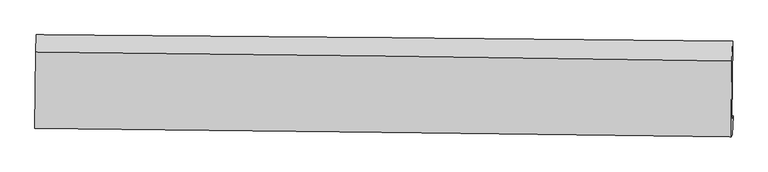
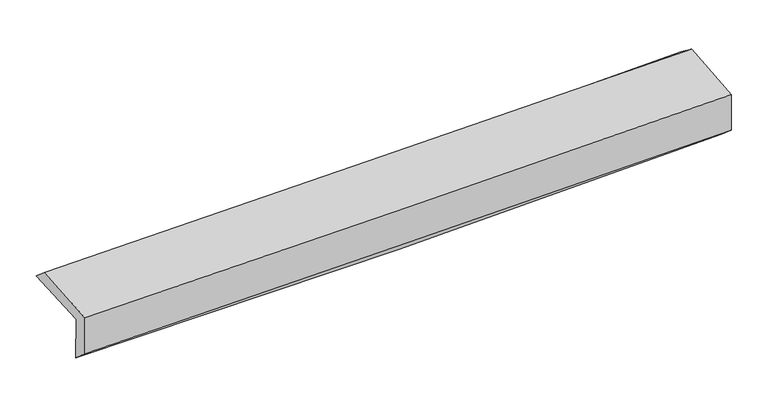
"""IFC4 building model written with IfcOpenShell, lengths in millimetres: proxy geometry."""

from ifc_helpers import new_model, si_unit, frame, origin, place, context, project, spatial, source, transform, mapped, element, save
from ifc_brep_helpers import plane_surface, spline_curve, spline_surface, advanced_brep


def generic_models_71b27c45(model_context):
    return source(origin(), model_context, "Body", "AdvancedBrep", [
        advanced_brep(
        [(-3022.8356225, -1774.3497814, 1960.7015081), (-3015.6202726, -1107.9031122, 1983.5003981), (3007.7210942, -1161.8522311, 2133.8981052), (3000.6849571, -1842.4390301, 2110.6246329), (-3011.3929687, -1741.2164199, 1553.1380141), (3011.978215, -1809.723789, 1708.2048815), (-3017.0326103, -1900.0274338, 1692.2565431), (3006.2424881, -1974.1329462, 1851.2526938), (-3027.3777507, -1920.850386, 2064.6870598), (2996.0332826, -1994.6822856, 2218.7894867), (-3020.9637713, -1259.0436823, 2115.0237788), (3002.0775274, -1337.8582251, 2268.7382257)],
        [
            (0, 1),
            (1, 2, spline_curve(3, [(-3015.6202726, -1107.9031122, 1983.5003981), (-2011.098693825, -1114.858854891, 1985.747619898), (-1006.886519523, -1122.832554889, 1999.404672167), (1000.893920729, -1140.815645492, 2049.537811885), (2004.462201764, -1150.824984835, 2086.013328537), (3007.7210942, -1161.8522311, 2133.8981052)], [4, 2, 4], [0.0, 9.885296414886984, 19.77034566757925])),
            (2, 3),
            (3, 0, spline_curve(3, [(3000.6849571, -1842.4390301, 2110.6246329), (1997.381945713, -1830.292924436, 2062.776583808), (993.776670794, -1818.545833382, 2026.358978934), (-1014.063507535, -1795.849397475, 1976.384032296), (-2018.298425615, -1784.90007192, 1962.827262341), (-3022.8356225, -1774.3497814, 1960.7015081)], [4, 2, 4], [0.0, 9.885049252692266, 19.77034566757925])),
            (4, 0),
            (3, 5),
            (5, 4, spline_curve(3, [(3011.978215, -1809.723789, 1708.2048815), (2008.745343126, -1797.376938328, 1657.887437348), (1005.187587891, -1785.494631114, 1619.8064851), (-1002.602790209, -1762.658818, 1568.116917094), (-2006.835429752, -1751.705335715, 1554.508913785), (-3011.3929687, -1741.2164199, 1553.1380141)], [4, 2, 4], [0.0, 9.885452166449415, 19.771151505167857])),
            (6, 4),
            (5, 7),
            (7, 6, spline_curve(3, [(3006.2424881, -1974.1329462, 1851.2526938), (2002.442684891, -1960.6804914, 1821.821578979), (998.609467313, -1947.778875339, 1793.856489631), (-1009.148897431, -1923.077010047, 1740.857699196), (-2013.074045776, -1911.276789067, 1715.824071922), (-3017.0326103, -1900.0274338, 1692.2565431)], [4, 2, 4], [0.0, 9.884972505949353, 19.770192172174475])),
            (8, 6),
            (7, 9),
            (9, 8, spline_curve(3, [(2996.0332826, -1994.6822856, 2218.7894867), (1992.256730402, -1981.183030674, 2188.521324336), (988.423810495, -1968.280814524, 2160.545506038), (-1019.379864179, -1943.670151402, 2109.177915582), (-2023.35062244, -1931.961734684, 2085.786258262), (-3027.3777507, -1920.850386, 2064.6870598)], [4, 2, 4], [0.0, 9.884788693604794, 19.76982454288938])),
            (10, 8),
            (9, 11),
            (11, 10, spline_curve(3, [(3002.0775274, -1337.8582251, 2268.7382257), (1998.377893531, -1321.86640321, 2238.661124201), (994.614243855, -1307.302678185, 2210.813168233), (-1013.066185798, -1281.031092377, 2159.574908004), (-2016.98296902, -1269.323303302, 2136.184714687), (-3020.9637713, -1259.0436823, 2115.0237788)], [4, 2, 4], [0.0, 9.884550329134013, 19.76934780798784])),
            (1, 10),
            (11, 2),
        ],
        [
            spline_surface(3, 3, [[(-3022.8356225, -1774.3497814, 1960.7015081), (-2018.298425684, -1784.900072015, 1962.827262363), (-1014.063507421, -1795.849397336, 1976.384032331), (993.776670681, -1818.545833521, 2026.358978899), (1997.381945582, -1830.292924437, 2062.776583821), (3000.6849571, -1842.4390301, 2110.6246329)], [(-3020.430505863, -1552.200891652, 1968.301138121), (-2015.898515096, -1561.552999595, 1970.467381519), (-1011.671178083, -1571.510449866, 1984.05757897), (996.149087364, -1592.635770839, 2034.085256538), (1999.742030979, -1603.803611275, 2070.522165332), (3003.030336127, -1615.576763764, 2118.382456983)], [(-3018.025389237, -1330.052001948, 1975.900768079), (-2013.498604517, -1338.20592722, 1978.107500613), (-1009.278848804, -1347.171502387, 1991.731125603), (998.521503988, -1366.725708146, 2041.811534172), (2002.102116395, -1377.314298122, 2078.267746894), (3005.375715173, -1388.714497436, 2126.140281117)], [(-3015.6202726, -1107.9031122, 1983.5003981), (-2011.098693928, -1114.8588548, 1985.747619769), (-1006.886519465, -1122.832554917, 1999.404672241), (1000.893920671, -1140.815645464, 2049.537811811), (2004.462201792, -1150.824984959, 2086.013328405), (3007.7210942, -1161.8522311, 2133.8981052)]], [4, 4], [4, 2, 4], [0.0, 2.2172118562602297], [0.0, 9.885296414886984, 19.77034566757925]),
            spline_surface(3, 3, [[(-3011.3929687, -1741.2164199, 1553.1380141), (-2006.8354296, -1751.705335603, 1554.508913914), (-1002.602790318, -1762.658818094, 1568.116917224), (1005.187588, -1785.49463102, 1619.80648497), (2008.745343288, -1797.376938239, 1657.887437411), (3011.978215, -1809.723789, 1708.2048815)], [(-3015.20718664, -1752.260873745, 1688.992512104), (-2010.656428301, -1762.770247752, 1690.615030068), (-1006.423029366, -1773.722344521, 1704.205955568), (1001.38394888, -1796.511698534, 1755.323982921), (2004.957544066, -1808.348933653, 1792.850486215), (3008.213795713, -1820.628869382, 1842.344798634)], [(-3019.02140456, -1763.305327555, 1824.847010096), (-2014.477426983, -1773.835159866, 1826.721146209), (-1010.243268373, -1784.785870908, 1840.294993987), (997.580309801, -1807.528766007, 1890.841480948), (2001.169744805, -1819.320929022, 1927.813535017), (3004.449376387, -1831.533949718, 1976.484715766)], [(-3022.8356225, -1774.3497814, 1960.7015081), (-2018.298425684, -1784.900072015, 1962.827262363), (-1014.063507421, -1795.849397336, 1976.384032331), (993.776670681, -1818.545833521, 2026.358978899), (1997.381945582, -1830.292924437, 2062.776583821), (3000.6849571, -1842.4390301, 2110.6246329)]], [4, 4], [4, 2, 4], [0.0, 1.3415808765569137], [0.0, 9.885699338718442, 19.771151505167857]),
            spline_surface(3, 3, [[(-3017.0326103, -1900.0274338, 1692.2565431), (-2013.074045749, -1911.276789072, 1715.824071835), (-1009.148897306, -1923.07701018, 1740.857699308), (998.609467188, -1947.778875205, 1793.856489519), (2002.442684815, -1960.680491539, 1821.82157895), (3006.2424881, -1974.1329462, 1851.2526938)], [(-3015.15272976, -1847.090429182, 1645.883700101), (-2010.994507027, -1858.086304598, 1662.05235253), (-1006.966861639, -1869.604279492, 1683.277438613), (1000.802174129, -1893.684127151, 1735.839821336), (2004.543570946, -1906.24597377, 1767.176865132), (3008.15439704, -1919.329893798, 1803.570089729)], [(-3013.27284924, -1794.153424518, 1599.510857099), (-2008.914968323, -1804.895820078, 1608.28063322), (-1004.784825984, -1816.131548783, 1625.697177919), (1002.994881059, -1839.589379075, 1677.823153153), (2006.644457157, -1851.811456008, 1712.532151228), (3010.06630606, -1864.526841402, 1755.887485571)], [(-3011.3929687, -1741.2164199, 1553.1380141), (-2006.8354296, -1751.705335603, 1554.508913914), (-1002.602790318, -1762.658818094, 1568.116917224), (1005.187588, -1785.49463102, 1619.80648497), (2008.745343288, -1797.376938239, 1657.887437411), (3011.978215, -1809.723789, 1708.2048815)]], [4, 4], [4, 2, 4], [0.0, 0.7773806382050568], [0.0, 9.885219666225122, 19.770192172174475]),
            spline_surface(3, 3, [[(-3027.3777507, -1920.850386, 2064.6870598), (-2023.350622426, -1931.961734528, 2085.786258277), (-1019.379864311, -1943.670151437, 2109.177915673), (988.423810627, -1968.280814488, 2160.545505946), (1992.256730298, -1981.18303079, 2188.521324175), (2996.0332826, -1994.6822856, 2218.7894867)], [(-3023.929370585, -1913.909401922, 1940.54355421), (-2019.925096885, -1925.066752698, 1962.465529439), (-1015.969541976, -1936.805770991, 1986.40451024), (991.819029481, -1961.4468347, 2038.315833825), (1995.652048493, -1974.348851046, 2066.288075736), (2999.436351123, -1987.832505806, 2096.27722237)], [(-3020.480990415, -1906.968417878, 1816.40004869), (-2016.49957129, -1918.171770902, 1839.144800672), (-1012.559219641, -1929.941390627, 1863.631104742), (995.214248334, -1954.612854994, 1916.08616164), (1999.04736662, -1967.514671283, 1944.054827388), (3002.839419577, -1980.982725994, 1973.76495813)], [(-3017.0326103, -1900.0274338, 1692.2565431), (-2013.074045749, -1911.276789072, 1715.824071835), (-1009.148897306, -1923.07701018, 1740.857699308), (998.609467188, -1947.778875205, 1793.856489519), (2002.442684815, -1960.680491539, 1821.82157895), (3006.2424881, -1974.1329462, 1851.2526938)]], [4, 4], [4, 2, 4], [0.0, 1.2080713148362914], [0.0, 9.885035849284588, 19.76982454288938]),
            spline_surface(3, 3, [[(-3020.9637713, -1259.0436823, 2115.0237788), (-2016.982969134, -1269.323303406, 2136.184714659), (-1013.066185814, -1281.031092433, 2159.574907901), (994.614243871, -1307.302678129, 2210.813168336), (1998.377893478, -1321.866403342, 2238.661124073), (3002.0775274, -1337.8582251, 2268.7382257)], [(-3023.101764429, -1479.645916883, 2098.244872469), (-2019.105520227, -1490.202780463, 2119.385229201), (-1015.170745323, -1501.910778776, 2142.7759105), (992.550766113, -1527.62872359, 2194.057280881), (1996.33750576, -1541.638612489, 2221.947857453), (3000.062779141, -1556.799578597, 2252.088646046)], [(-3025.239757571, -1700.248151417, 2081.465966131), (-2021.228071333, -1711.082257471, 2102.585743735), (-1017.275304802, -1722.790465094, 2125.976913074), (990.487288385, -1747.954769027, 2177.301393401), (1994.297118017, -1761.410821644, 2205.234590795), (2998.048030859, -1775.740932103, 2235.439066354)], [(-3027.3777507, -1920.850386, 2064.6870598), (-2023.350622426, -1931.961734528, 2085.786258277), (-1019.379864311, -1943.670151437, 2109.177915673), (988.423810627, -1968.280814488, 2160.545505946), (1992.256730298, -1981.18303079, 2188.521324175), (2996.0332826, -1994.6822856, 2218.7894867)]], [4, 4], [4, 2, 4], [0.0, 2.177655049738748], [0.0, 9.884797478853828, 19.76934780798784]),
            spline_surface(3, 3, [[(-3015.6202726, -1107.9031122, 1983.5003981), (-2011.098693928, -1114.8588548, 1985.747619769), (-1006.886519465, -1122.832554917, 1999.404672241), (1000.893920671, -1140.815645464, 2049.537811811), (2004.462201792, -1150.824984959, 2086.013328405), (3007.7210942, -1161.8522311, 2133.8981052)], [(-3017.401438822, -1158.283302217, 2027.341524995), (-2013.060118986, -1166.347004319, 2035.89331806), (-1008.946408249, -1175.565400752, 2052.794750788), (998.80069507, -1196.311323015, 2103.296263979), (2002.43409901, -1207.838791074, 2136.895926966), (3005.839905256, -1220.520895753, 2178.844812038)], [(-3019.182605078, -1208.663492283, 2071.182651905), (-2015.021544076, -1217.835153887, 2086.039016367), (-1011.006297031, -1228.298246598, 2106.184829354), (996.707469471, -1251.807000578, 2157.054716168), (2000.40599626, -1264.852597228, 2187.778525512), (3003.958716344, -1279.189560447, 2223.791518862)], [(-3020.9637713, -1259.0436823, 2115.0237788), (-2016.982969134, -1269.323303406, 2136.184714659), (-1013.066185814, -1281.031092433, 2159.574907901), (994.614243871, -1307.302678129, 2210.813168336), (1998.377893478, -1321.866403342, 2238.661124073), (3002.0775274, -1337.8582251, 2268.7382257)]], [4, 4], [4, 2, 4], [0.0, 0.7497689547493274], [0.0, 9.884669225171592, 19.7690913038301]),
            plane_surface(frame((3004.1229274, -1686.7814179, 2048.584671), z_axis=(0.9995683189377964, -0.011261814301868973, 0.027135720268639633), x_axis=(0.02772339514385511, 0.05580232975213145, -0.998056868798533))),
            plane_surface(frame((-3019.2038327, -1617.2318026, 1894.8845503), z_axis=(-0.9995634515729432, 0.011749237141571582, -0.027108332781188675), x_axis=(-0.010819634627464944, -0.9993568641684312, -0.03418762270132512))),
        ],
        [
            (0, [[1, 2, 3, 4]]),
            (1, [[5, -4, 6, 7]]),
            (2, [[8, -7, 9, 10]]),
            (3, [[11, -10, 12, 13]]),
            (4, [[14, -13, 15, 16]]),
            (5, [[17, -16, 18, -2]]),
            (6, [[-12, -9, -6, -3, -18, -15]]),
            (7, [[-1, -5, -8, -11, -14, -17]]),
        ],
    ),
    ])


if __name__ == "__main__":
    model = new_model("IFC4")
    model_context = context("Model", 3, world=origin())
    ifc_project = project(units=[si_unit("LENGTHUNIT", "METRE", prefix="MILLI")], contexts=[model_context])
    site = spatial("IfcSite", under=ifc_project)
    building = spatial("IfcBuilding", under=site)
    placement = place(None, origin())
    generic_models_shape = generic_models_71b27c45(model_context)
    element("IfcBuildingElementProxy", 1, Name="Generic Models", at=placement, inside=building, context=model_context, shape_type="MappedRepresentation", body=[
        mapped(generic_models_shape, transform((0.0, 0.0, 0.0), x_axis=(1.0, 0.0, 0.0), y_axis=(0.0, 1.0, 0.0), z_axis=(0.0, 0.0, 1.0))),
    ])
    save(model, "model.ifc")
